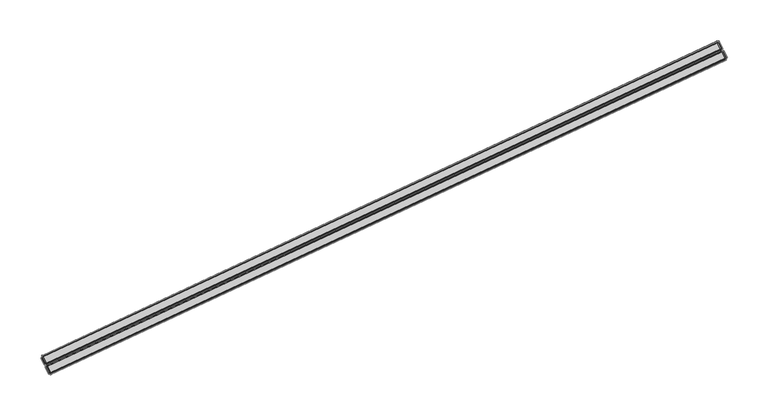
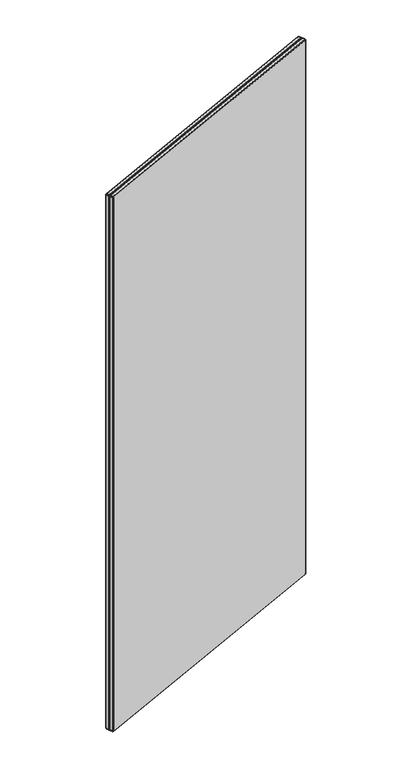
"""IFC4 building model written with IfcOpenShell, lengths in millimetres: furniture geometry."""

from ifc_helpers import new_model, si_unit, origin, place, context, project, spatial, triangles, source, transform, mapped, element, save


def furniture_4c91cf51(model_context):
    return source(origin(), model_context, "Body", "Tessellation", [
        triangles([(5408.3171655, -329.5094604, 129.787999), (5411.7692803, -336.9124969, 129.787999), (5410.8103272, -337.3595626, 130.4949962), (5407.358503, -329.9565261, 130.4949962), (5408.8354478, -327.6700378, 1903.9250656), (5408.2654244, -327.9363006, 1903.7999279), (5408.0860749, -328.486267, 1904.7530674), (5409.0142159, -328.0537353, 1904.9569794), (5406.772783, -329.0990203, 131.7749962), (5406.7184258, -330.2553451, 131.5519993), (5406.4928582, -330.3605712, 132.7999972), (5406.5879105, -329.1850616, 132.7999972), (5408.0860749, -328.486267, 130.3270014), (5408.2654244, -327.9363006, 131.2810038), (5408.8354478, -327.6700378, 131.1560024), (5409.0142159, -328.0537353, 130.1229986), (6231.9046853, 54.5351212, 1905.539938), (5409.447329, -328.9827483, 1905.539938), (5412.8994439, -336.3852035, 1905.539938), (6235.3565095, 47.1323754, 1905.539938), (6238.311271, 48.5101983, 1902.2809799), (6238.311271, 48.5101983, 132.7999972), (6234.8591561, 55.9129441, 132.7999972), (6234.8591561, 55.9129441, 1902.2809799), (6236.4866731, 47.6593781, 1905.291988), (6233.0348489, 55.062124, 1905.291988), (6233.1871652, 56.2640855, 1904.1730156), (6232.3994225, 55.8969567, 1904.7530674), (6233.993802, 55.5094804, 1904.5860718), (6231.4715722, 55.4641343, 1904.9569794), (6231.8628274, 56.1135133, 1903.7999279), (6231.292804, 55.8475411, 1903.9250656), (6232.3459374, 56.3384995, 1903.4429729), (5406.7184258, -330.2553451, 1903.5279968), (5410.1705407, -337.6578002, 1903.5279968), (5410.8103272, -337.3595626, 1904.5860718), (5407.358503, -329.9565261, 1904.5860718), (5409.9446824, -337.7630263, 1902.2809799), (5406.4928582, -330.3605712, 1902.2809799), (5406.772783, -329.0990203, 1903.3050453), (5406.5879105, -329.1850616, 1902.2809799), (5408.3171655, -329.5094604, 1905.291988), (5407.298623, -328.8536864, 1904.1730156), (6233.7127145, 56.5094193, 1903.3050453), (6232.6694642, 56.4893624, 1902.9100113), (5409.447329, -328.9827483, 129.5400036), (5407.298623, -328.8536864, 130.9069987), (6234.6335885, 55.807718, 1903.5279968), (5407.7823144, -328.1612868, 131.6369959), (6233.8975869, 56.5954606, 132.7999972), (6233.8975869, 56.5954606, 1902.2809799), (6238.0854127, 48.4049722, 131.5519993), (6234.6335885, 55.807718, 131.5519993), (6237.4456262, 48.1067346, 1904.5860718), (6238.0854127, 48.4049722, 1903.5279968), (5407.3454225, -328.3647628, 1902.2809799), (5407.3454225, -328.3647628, 132.7999972), (6233.993802, 55.5094804, 130.4949962), (6237.4456262, 48.1067346, 130.4949962), (5412.8994439, -336.3852035, 129.5400036), (6236.4866731, 47.6593781, 129.787999), (6233.0348489, 55.062124, 129.787999), (6231.9046853, 54.5351212, 129.5400036), (6235.3565095, 47.1323754, 129.5400036), (6231.4715722, 55.4641343, 130.1229986), (6232.3994225, 55.8969567, 130.3270014), (6233.1871652, 56.2640855, 130.9069987), (6233.7127145, 56.5094193, 131.7749962), (6232.6694642, 56.4893624, 132.170003), (6232.7825387, 56.5422662, 132.7999972), (6232.3459374, 56.3384995, 131.6369959), (6231.8628274, 56.1135133, 131.2810038), (6231.292804, 55.8475411, 131.1560024), (5407.4587876, -328.3124404, 132.170003), (6232.7825387, 56.5422662, 1902.2809799), (5407.7823144, -328.1612868, 1903.4429729), (5411.7692803, -336.9124969, 1905.291988), (5407.4587876, -328.3124404, 1902.9100113), (5409.9446824, -337.7630263, 132.7999972), (5410.1705407, -337.6578002, 131.5519993), (5409.447329, -328.9827483, 1905.3979408), (5413.332557, -337.3142165, 1904.9569794), (5413.5113252, -337.6973327, 1903.9250656), (6235.9683907, 45.8202462, 1903.9250656), (6235.7896226, 46.203653, 1904.9569794), (5412.8479936, -339.0553893, 1902.1859276), (5413.9987954, -338.5182128, 1903.4560535), (5413.5584153, -338.7240142, 1903.3589664), (5412.9357789, -339.0141128, 1902.6719444), (6236.5387048, 46.0859277, 1903.7999279), (6236.7177636, 46.6361848, 1904.7530674), (6230.7123162, 57.0919419, 1903.9250656), (5408.2552506, -326.4259276, 1903.9250656), (5406.7652253, -327.1206527, 132.7999972), (5406.8785905, -327.0677489, 132.170003), (6238.0310555, 47.2486474, 1903.3050453), (6237.5055062, 47.0036042, 1904.1730156), (5406.8785905, -327.0677489, 1902.9100113), (5406.7652253, -327.1206527, 1902.2809799), (6232.2023415, 57.786667, 1902.2809799), (6232.0889764, 57.7337632, 1902.9100113), (5407.6852273, -326.6916091, 1903.7999279), (5407.2021172, -326.9171767, 1903.4429729), (6236.7244492, 45.1243585, 1903.3589664), (6236.2837785, 44.9191384, 1903.4560535), (6237.434871, 45.4557336, 1902.1859276), (6237.3470857, 45.4147477, 1902.6719444), (5412.9357789, -339.0141128, 132.4079972), (5413.1848916, -338.8978408, 131.997003), (5413.5584153, -338.7240142, 131.7210024), (5412.8479936, -339.0553893, 132.8950042), (6237.434871, 45.4557336, 132.8950042), (6237.3470857, 45.4147477, 132.4079972), (6236.2837785, 44.9191384, 131.6249963), (6236.7244492, 45.1243585, 131.7210024), (5413.9987954, -338.5182128, 131.6249963), (6231.2826302, 57.3576234, 1903.7999279), (6231.7654496, 57.5829003, 1903.4429729), (6231.2826302, 57.3576234, 131.2810038), (6230.7123162, 57.0919419, 131.1560024), (6237.0976823, 45.2984757, 131.997003), (5408.2552506, -326.4259276, 131.1560024), (5407.6852273, -326.6916091, 131.2810038), (5407.2021172, -326.9171767, 131.6369959), (6231.7654496, 57.5829003, 131.6369959), (5413.1848916, -338.8978408, 1903.0839832), (6232.2023415, 57.786667, 132.7999972), (6237.0976823, 45.2984757, 1903.0839832), (6232.0889764, 57.7337632, 132.170003), (6238.215928, 47.3349793, 1902.2809799), (5410.9062516, -338.4455428, 132.7999972), (5412.0212998, -338.3926391, 132.7999972), (5412.0212998, -338.3926391, 1902.2809799), (5410.9062516, -338.4455428, 1902.2809799), (6238.0310555, 47.2486474, 131.7749962), (6237.3453416, 46.4620675, 132.170003), (6237.0215241, 46.3112046, 131.6369959), (6237.5055062, 47.0036042, 130.9069987), (5412.404416, -337.7467483, 130.3270014), (5411.616964, -338.1141677, 130.9069987), (5413.332557, -337.3142165, 130.1229986), (5412.9413018, -337.9635955, 131.2810038), (5412.4581918, -338.1885818, 131.6369959), (5412.134665, -338.3397353, 132.170003), (5411.091124, -338.3595016, 131.7749962), (6238.215928, 47.3349793, 132.7999972), (6235.7896226, 46.203653, 130.1229986), (6236.7177636, 46.6361848, 130.3270014), (6237.4584161, 46.5149712, 132.7999972), (6236.5387048, 46.0859277, 131.2810038), (5413.5113252, -337.6973327, 131.1560024), (5412.134665, -338.3397353, 1902.9100113), (5412.4581918, -338.1885818, 1903.4429729), (5411.616964, -338.1141677, 1904.1730156), (5411.091124, -338.3595016, 1903.3050453), (5412.9413018, -337.9635955, 1903.7999279), (6237.0215241, 46.3112046, 1903.4429729), (6237.3453416, 46.4620675, 1902.9100113), (6235.9683907, 45.8202462, 131.1560024), (6237.4584161, 46.5149712, 1902.2809799), (5412.404416, -337.7467483, 1904.7530674), (5408.0767732, -326.0433929, 1904.9569794), (5407.6436601, -325.1143798, 1905.539938), (5406.5134965, -325.6416732, 1905.291988), (5407.1489228, -326.4759246, 1904.7530674), (6228.7374368, 66.7811761, 130.4949962), (6229.377514, 67.0794137, 131.5519993), (6232.8299195, 59.6757958, 131.5519993), (6232.1898423, 59.3775582, 130.4949962), (6231.4622704, 57.9070085, 130.3270014), (6231.2311799, 58.9302018, 129.787999), (6232.2497224, 58.2744279, 130.9069987), (6232.8299195, 59.6757958, 1903.5279968), (6229.377514, 67.0794137, 1903.5279968), (6228.7374368, 66.7811761, 1904.5860718), (6232.1898423, 59.3775582, 1904.5860718), (6232.7752717, 58.5194711, 131.7749962), (6232.9601441, 58.605803, 132.7999972), (5407.6436601, -325.1143798, 129.5400036), (5406.5134965, -325.6416732, 129.787999), (5403.0610909, -318.2380553, 129.787999), (5404.1912545, -317.7107619, 129.5400036), (6226.6486108, 65.8071076, 129.5400036), (6227.7787743, 66.3341103, 129.787999), (6230.1010163, 58.4031991, 129.5400036), (6232.7752717, 58.5194711, 1903.3050453), (6232.2497224, 58.2744279, 1904.1730156), (6233.0554871, 59.781022, 1902.2809799), (6232.9601441, 58.605803, 1902.2809799), (5405.5545434, -326.0887389, 1904.5860718), (5403.0610909, -318.2380553, 1905.291988), (5402.1021378, -318.6851211, 1904.5860718), (5406.3611802, -326.843344, 130.9069987), (5405.8356309, -327.0886779, 131.7749962), (5404.9147569, -326.3869765, 131.5519993), (5405.5545434, -326.0887389, 130.4949962), (5408.0767732, -326.0433929, 130.1229986), (5407.1489228, -326.4759246, 130.3270014), (6233.0554871, 59.781022, 132.7999972), (6229.6030816, 67.1846398, 132.7999972), (6229.6030816, 67.1846398, 1902.2809799), (5402.1021378, -318.6851211, 130.4949962), (5404.1912545, -317.7107619, 1905.539938), (6231.4622704, 57.9070085, 1904.7530674), (6231.2311799, 58.9302018, 1905.291988), (6230.1010163, 58.4031991, 1905.539938), (6230.5341294, 57.4744767, 1904.9569794), (5406.3611802, -326.843344, 1904.1730156), (5404.9147569, -326.3869765, 1903.5279968), (5405.8356309, -327.0886779, 1903.3050453), (5405.6507584, -327.1747191, 132.7999972), (6230.5341294, 57.4744767, 130.1229986), (6227.7787743, 66.3341103, 1905.291988), (6226.6486108, 65.8071076, 1905.539938), (5404.6891892, -326.4922027, 1902.2809799), (5401.4623513, -318.9833587, 1903.5279968), (5401.2367837, -319.0885848, 1902.2809799), (5404.6891892, -326.4922027, 132.7999972), (5405.6507584, -327.1747191, 1902.2809799), (5407.6436601, -325.1143798, 1905.3979408), (5401.2367837, -319.0885848, 132.7999972), (5401.4623513, -318.9833587, 131.5519993), (5401.5167085, -317.8270339, 1903.3050453), (5402.0425485, -317.5817, 1904.1730156), (5403.5796639, -316.3992141, 1903.9250656), (5403.0096406, -316.6654769, 1903.7999279), (5402.8300004, -317.214862, 1904.7530674), (5403.7581414, -316.7817489, 1904.9569794), (5402.5265305, -316.8904632, 1903.4429729), (5402.2030038, -317.0416167, 1902.9100113), (5402.0899293, -317.0939391, 1902.2809799), (5401.331836, -317.9130752, 1902.2809799), (5402.0899293, -317.0939391, 132.7999972), (5401.331836, -317.9130752, 132.7999972), (5402.8300004, -317.214862, 130.3270014), (5402.0425485, -317.5817, 130.9069987), (5402.2012597, -315.9940063, 132.4079972), (5402.8238961, -315.7039077, 131.7210024), (5402.4506631, -315.8777343, 131.997003), (5402.1134744, -316.0347014, 1902.1859276), (5403.2642762, -315.4981063, 1903.4560535), (6225.54955, 67.9392449, 1903.4560535), (6226.7003518, 68.4758401, 1902.1859276), (6227.9310906, 67.5360719, 1904.1730156), (6227.0901536, 67.6096139, 1903.4429729), (6226.6070435, 67.3843369, 1903.7999279), (6227.143348, 67.1686524, 1904.7530674), (5401.5167085, -317.8270339, 131.7749962), (5402.2012597, -315.9940063, 1902.6719444), (5402.8238961, -315.7039077, 1903.3589664), (6225.98993, 68.1447556, 131.7210024), (6226.6125665, 68.4348542, 132.4079972), (6226.3631631, 68.3188729, 131.997003), (6226.215207, 66.73583, 1904.9569794), (6228.4566399, 67.781115, 1903.3050453), (6227.4136804, 67.7604768, 1902.9100113), (6226.7003518, 68.4758401, 132.8950042), (5402.1134744, -316.0347014, 132.8950042), (5403.7581414, -316.7817489, 130.1229986), (5402.2030038, -317.0416167, 132.170003), (6225.98993, 68.1447556, 1903.3589664), (6226.3631631, 68.3188729, 1903.0839832), (6226.6125665, 68.4348542, 1902.6719444), (6228.6415124, 67.8671563, 1902.2809799), (5402.5265305, -316.8904632, 131.6369959), (5402.4506631, -315.8777343, 1903.0839832), (5403.0096406, -316.6654769, 131.2810038), (5403.5796639, -316.3992141, 131.1560024), (6227.5270455, 67.8130898, 1902.2809799), (5403.2642762, -315.4981063, 131.6249963), (6226.0370202, 67.1183648, 1903.9250656), (6225.54955, 67.9392449, 131.6249963), (6228.6415124, 67.8671563, 132.7999972), (6227.5270455, 67.8130898, 132.7999972), (6226.0370202, 67.1183648, 131.1560024), (6226.215207, 66.73583, 130.1229986), (6227.0901536, 67.6096139, 131.6369959), (6226.6070435, 67.3843369, 131.2810038), (6227.4136804, 67.7604768, 132.170003), (6227.9310906, 67.5360719, 130.9069987), (6227.143348, 67.1686524, 130.3270014), (6228.4566399, 67.781115, 131.7749962)], [[1, 2, 3], [1, 3, 4], [5, 6, 7], [5, 7, 8], [9, 10, 11], [9, 11, 12], [13, 14, 15], [13, 15, 16], [17, 18, 19], [17, 19, 20], [21, 22, 23], [21, 23, 24], [17, 20, 25], [17, 25, 26], [27, 28, 26], [27, 26, 29], [30, 17, 26], [30, 26, 28], [30, 28, 31], [30, 31, 32], [27, 33, 31], [27, 31, 28], [34, 35, 36], [34, 36, 37], [38, 35, 34], [38, 34, 39], [39, 34, 40], [39, 40, 41], [37, 42, 7], [37, 7, 43], [27, 44, 45], [27, 45, 33], [40, 34, 37], [40, 37, 43], [7, 42, 18], [7, 18, 8], [46, 1, 13], [46, 13, 16], [4, 10, 9], [4, 9, 47], [27, 29, 48], [27, 48, 44], [49, 14, 13], [49, 13, 47], [24, 23, 50], [24, 50, 51], [23, 22, 52], [23, 52, 53], [13, 1, 4], [13, 4, 47], [29, 54, 55], [29, 55, 48], [41, 56, 57], [41, 57, 12], [58, 53, 52], [58, 52, 59], [60, 2, 1], [60, 1, 46], [58, 59, 61], [58, 61, 62], [63, 62, 61], [63, 61, 64], [65, 66, 62], [65, 62, 63], [67, 58, 62], [67, 62, 66], [67, 68, 53], [67, 53, 58], [50, 23, 53], [50, 53, 68], [50, 68, 69], [50, 69, 70], [67, 71, 69], [67, 69, 68], [67, 66, 72], [67, 72, 71], [65, 73, 72], [65, 72, 66], [64, 60, 46], [64, 46, 63], [9, 74, 49], [9, 49, 47], [50, 70, 75], [50, 75, 51], [7, 6, 76], [7, 76, 43], [57, 74, 9], [57, 9, 12], [29, 26, 25], [29, 25, 54], [36, 77, 42], [36, 42, 37], [24, 48, 55], [24, 55, 21], [51, 75, 45], [51, 45, 44], [76, 78, 40], [76, 40, 43], [30, 32, 5], [30, 5, 8], [40, 78, 56], [40, 56, 41], [39, 11, 79], [39, 79, 38], [41, 12, 11], [41, 11, 39], [3, 80, 10], [3, 10, 4], [10, 80, 79], [10, 79, 11], [42, 77, 19], [42, 19, 18], [51, 44, 48], [51, 48, 24], [30, 8, 81], [30, 81, 17], [82, 83, 84], [82, 84, 85], [58, 62, 66], [58, 66, 67], [16, 13, 14], [16, 14, 15], [47, 49, 14], [47, 14, 13], [86, 87, 88], [86, 88, 89], [84, 90, 91], [84, 91, 85], [92, 93, 5], [92, 5, 32], [94, 95, 74], [94, 74, 57], [96, 55, 54], [96, 54, 97], [98, 99, 56], [98, 56, 78], [100, 101, 45], [100, 45, 75], [47, 9, 74], [47, 74, 49], [68, 69, 70], [68, 70, 50], [16, 15, 73], [16, 73, 65], [4, 3, 80], [4, 80, 10], [102, 103, 76], [102, 76, 6], [16, 46, 1], [16, 1, 13], [106, 104, 105], [104, 106, 107], [108, 109, 110], [106, 105, 87], [106, 87, 86], [73, 72, 66], [73, 66, 65], [46, 60, 2], [46, 2, 1], [47, 4, 10], [47, 10, 9], [106, 86, 111], [106, 111, 112], [114, 113, 112], [113, 114, 115], [111, 116, 114], [111, 114, 112], [68, 53, 58], [68, 58, 67], [102, 6, 5], [102, 5, 93], [92, 32, 31], [92, 31, 117], [118, 33, 45], [118, 45, 101], [119, 72, 73], [119, 73, 120], [115, 121, 113], [122, 15, 14], [122, 14, 123], [71, 69, 68], [71, 68, 67], [124, 123, 14], [124, 14, 49], [119, 125, 71], [119, 71, 72], [53, 52, 59], [53, 59, 58], [66, 72, 71], [66, 71, 67], [124, 49, 74], [124, 74, 95], [94, 57, 56], [94, 56, 99], [91, 25, 20], [91, 20, 85], [20, 19, 82], [20, 82, 85], [22, 52, 53], [22, 53, 23], [118, 117, 31], [118, 31, 33], [108, 110, 116], [111, 108, 116], [89, 88, 126], [23, 53, 68], [23, 68, 50], [59, 61, 62], [59, 62, 58], [62, 61, 64], [62, 64, 63], [63, 46, 16], [63, 16, 65], [11, 10, 80], [11, 80, 79], [98, 78, 76], [98, 76, 103], [100, 75, 70], [100, 70, 127], [104, 107, 128], [47, 13, 1], [47, 1, 4], [129, 127, 70], [129, 70, 69], [12, 57, 74], [12, 74, 9], [4, 1, 2], [4, 2, 3], [129, 69, 71], [129, 71, 125], [122, 120, 73], [122, 73, 15], [21, 55, 96], [21, 96, 130], [54, 25, 91], [54, 91, 97], [12, 9, 10], [12, 10, 11], [66, 62, 63], [66, 63, 65], [131, 132, 133], [131, 133, 134], [135, 136, 137], [135, 137, 138], [3, 2, 139], [3, 139, 140], [139, 2, 60], [139, 60, 141], [139, 142, 143], [139, 143, 140], [143, 144, 145], [143, 145, 140], [140, 3, 2], [140, 2, 139], [140, 145, 80], [140, 80, 3], [146, 135, 52], [146, 52, 22], [147, 64, 61], [147, 61, 148], [149, 136, 135], [149, 135, 146], [140, 143, 144], [140, 144, 145], [138, 137, 150], [138, 150, 148], [151, 142, 139], [151, 139, 141], [145, 144, 132], [145, 132, 131], [152, 89, 126], [152, 126, 153], [131, 79, 80], [131, 80, 145], [141, 151, 142], [141, 142, 139], [138, 59, 52], [138, 52, 135], [59, 52, 135], [59, 135, 138], [152, 133, 86], [152, 86, 89], [137, 150, 148], [137, 148, 138], [154, 155, 152], [154, 152, 153], [156, 153, 126], [156, 126, 88], [91, 90, 157], [91, 157, 97], [156, 88, 87], [156, 87, 83], [64, 61, 148], [64, 148, 147], [38, 79, 131], [38, 131, 134], [135, 52, 22], [135, 22, 146], [138, 148, 61], [138, 61, 59], [84, 83, 87], [84, 87, 105], [84, 105, 104], [84, 104, 90], [157, 90, 104], [157, 104, 128], [157, 128, 107], [157, 107, 158], [147, 159, 151], [147, 151, 141], [130, 160, 149], [130, 149, 146], [160, 158, 107], [160, 107, 106], [132, 111, 86], [132, 86, 133], [111, 132, 144], [111, 144, 108], [109, 108, 144], [109, 144, 143], [109, 143, 142], [109, 142, 110], [116, 110, 142], [116, 142, 151], [159, 114, 116], [159, 116, 151], [140, 139, 142], [140, 142, 143], [130, 146, 22], [130, 22, 21], [148, 61, 59], [148, 59, 138], [134, 155, 35], [134, 35, 38], [154, 153, 156], [154, 156, 161], [154, 36, 35], [154, 35, 155], [154, 161, 77], [154, 77, 36], [82, 19, 77], [82, 77, 161], [131, 145, 144], [131, 144, 132], [96, 158, 160], [96, 160, 130], [148, 150, 159], [148, 159, 147], [157, 158, 96], [157, 96, 97], [141, 139, 2], [141, 2, 60], [82, 161, 156], [82, 156, 83], [147, 141, 60], [147, 60, 64], [147, 148, 150], [147, 150, 159], [138, 135, 136], [138, 136, 137], [134, 133, 152], [134, 152, 155], [146, 149, 136], [146, 136, 135], [79, 80, 145], [79, 145, 131], [145, 80, 3], [145, 3, 140], [162, 163, 164], [162, 164, 165], [166, 167, 168], [166, 168, 169], [170, 171, 169], [170, 169, 172], [173, 174, 175], [173, 175, 176], [127, 129, 177], [127, 177, 178], [177, 129, 125], [177, 125, 172], [179, 180, 181], [179, 181, 182], [183, 184, 171], [183, 171, 185], [112, 113, 136], [112, 136, 149], [186, 173, 176], [186, 176, 187], [188, 173, 186], [188, 186, 189], [190, 164, 191], [190, 191, 192], [193, 194, 195], [193, 195, 196], [197, 122, 123], [197, 123, 198], [114, 159, 150], [114, 150, 115], [118, 101, 186], [118, 186, 187], [188, 199, 200], [188, 200, 201], [171, 184, 166], [171, 166, 169], [177, 168, 199], [177, 199, 178], [125, 119, 170], [125, 170, 172], [185, 179, 182], [185, 182, 183], [168, 167, 200], [168, 200, 199], [196, 202, 181], [196, 181, 180], [121, 137, 136], [121, 136, 113], [163, 203, 191], [163, 191, 164], [169, 168, 177], [169, 177, 172], [193, 198, 123], [193, 123, 124], [204, 205, 206], [204, 206, 207], [208, 190, 209], [208, 209, 210], [211, 194, 95], [211, 95, 94], [185, 171, 170], [185, 170, 212], [170, 119, 120], [170, 120, 212], [185, 183, 184], [185, 184, 171], [205, 213, 214], [205, 214, 206], [215, 209, 216], [215, 216, 217], [215, 218, 211], [215, 211, 219], [197, 198, 180], [197, 180, 179], [193, 124, 95], [193, 95, 194], [206, 220, 162], [206, 162, 207], [219, 99, 98], [219, 98, 210], [189, 100, 127], [189, 127, 178], [201, 174, 173], [201, 173, 188], [162, 165, 102], [162, 102, 93], [160, 106, 112], [160, 112, 149], [204, 117, 118], [204, 118, 187], [121, 115, 150], [121, 150, 137], [92, 117, 204], [92, 204, 207], [186, 101, 100], [186, 100, 189], [208, 103, 102], [208, 102, 165], [176, 205, 204], [176, 204, 187], [214, 203, 163], [214, 163, 206], [190, 192, 216], [190, 216, 209], [208, 165, 164], [208, 164, 190], [208, 210, 98], [208, 98, 103], [217, 221, 218], [217, 218, 215], [211, 94, 99], [211, 99, 219], [218, 221, 222], [218, 222, 195], [196, 195, 222], [196, 222, 202], [193, 196, 180], [193, 180, 198], [211, 218, 195], [211, 195, 194], [175, 213, 205], [175, 205, 176], [219, 210, 209], [219, 209, 215], [162, 93, 92], [162, 92, 207], [189, 178, 199], [189, 199, 188], [223, 216, 192], [223, 192, 224], [225, 226, 227], [225, 227, 228], [229, 230, 223], [229, 223, 224], [202, 181, 180], [202, 180, 196], [212, 185, 171], [212, 171, 170], [218, 195, 194], [218, 194, 211], [223, 230, 231], [223, 231, 232], [172, 170, 171], [172, 171, 169], [195, 222, 202], [195, 202, 196], [232, 231, 233], [232, 233, 234], [235, 181, 202], [235, 202, 236], [237, 238, 239], [240, 241, 242], [240, 242, 243], [244, 245, 246], [244, 246, 247], [202, 222, 248], [202, 248, 236], [180, 181, 182], [180, 182, 179], [249, 250, 241], [240, 249, 241], [251, 252, 253], [244, 247, 213], [244, 213, 175], [254, 214, 213], [254, 213, 247], [244, 255, 256], [244, 256, 245], [257, 258, 240], [257, 240, 243], [254, 228, 203], [254, 203, 214], [192, 191, 227], [192, 227, 224], [244, 175, 174], [244, 174, 255], [232, 234, 221], [232, 221, 217], [248, 222, 221], [248, 221, 234], [182, 181, 235], [182, 235, 259], [233, 260, 248], [233, 248, 234], [178, 127, 129], [178, 129, 177], [261, 262, 263], [264, 255, 174], [264, 174, 201], [248, 260, 265], [248, 265, 236], [249, 266, 250], [265, 267, 235], [265, 235, 236], [235, 267, 268], [235, 268, 259], [212, 170, 119], [212, 119, 120], [172, 169, 168], [172, 168, 177], [221, 222, 195], [221, 195, 218], [198, 180, 179], [198, 179, 197], [124, 95, 194], [124, 194, 193], [264, 269, 256], [264, 256, 255], [172, 125, 119], [172, 119, 170], [122, 123, 198], [122, 198, 197], [194, 95, 94], [194, 94, 211], [227, 191, 203], [227, 203, 228], [227, 226, 229], [227, 229, 224], [212, 120, 122], [212, 122, 197], [212, 197, 179], [212, 179, 185], [169, 171, 184], [169, 184, 166], [194, 195, 196], [194, 196, 193], [169, 166, 167], [169, 167, 168], [196, 180, 198], [196, 198, 193], [258, 270, 238], [258, 238, 237], [254, 247, 246], [254, 246, 271], [217, 216, 223], [217, 223, 232], [172, 177, 129], [172, 129, 125], [198, 123, 124], [198, 124, 193], [178, 177, 168], [178, 168, 199], [242, 263, 243], [263, 242, 261], [257, 251, 272], [251, 257, 252], [199, 168, 167], [199, 167, 200], [257, 272, 270], [257, 270, 258], [254, 271, 225], [254, 225, 228], [237, 260, 233], [237, 233, 258], [273, 274, 269], [273, 269, 264], [259, 268, 275], [259, 275, 276], [236, 265, 267], [236, 267, 235], [268, 267, 238], [268, 238, 270], [277, 278, 251], [277, 251, 253], [252, 279, 277], [252, 277, 253], [280, 166, 184], [280, 184, 281], [277, 279, 282], [277, 282, 280], [259, 235, 267], [259, 267, 268], [280, 277, 279], [280, 279, 282], [249, 240, 231], [249, 231, 230], [231, 240, 258], [231, 258, 233], [274, 279, 252], [274, 252, 257], [280, 281, 278], [280, 278, 277], [282, 279, 274], [282, 274, 273], [200, 167, 282], [200, 282, 273], [276, 275, 278], [276, 278, 281], [236, 248, 260], [236, 260, 265], [273, 282, 279], [273, 279, 274], [225, 241, 250], [225, 250, 226], [242, 241, 225], [271, 242, 225], [234, 233, 260], [234, 260, 248], [273, 200, 167], [273, 167, 282], [282, 167, 166], [282, 166, 280], [229, 266, 249], [229, 249, 230], [250, 266, 229], [250, 229, 226], [243, 263, 256], [243, 256, 269], [268, 270, 272], [268, 272, 275], [274, 257, 243], [274, 243, 269], [234, 248, 222], [234, 222, 221], [166, 184, 281], [166, 281, 280], [183, 182, 259], [183, 259, 276], [276, 281, 184], [276, 184, 183], [251, 278, 275], [251, 275, 272], [265, 260, 237], [265, 237, 239], [259, 182, 181], [259, 181, 235], [281, 278, 277], [281, 277, 280], [256, 263, 262], [256, 262, 245], [236, 202, 222], [236, 222, 248], [262, 261, 246], [262, 246, 245], [281, 184, 183], [281, 183, 276], [238, 267, 265], [238, 265, 239], [236, 235, 181], [236, 181, 202], [201, 200, 273], [201, 273, 264], [246, 261, 242], [246, 242, 271], [280, 282, 167], [280, 167, 166], [275, 278, 281], [275, 281, 276]], closed=False),
    ])


if __name__ == "__main__":
    model = new_model("IFC4")
    model_context = context("Model", 3, world=origin())
    ifc_project = project(units=[si_unit("LENGTHUNIT", "METRE", prefix="MILLI")], contexts=[model_context])
    site = spatial("IfcSite", under=ifc_project)
    building = spatial("IfcBuilding", under=site)
    placement = place(None, origin())
    furniture_shape = furniture_4c91cf51(model_context)
    element("IfcFurniture", 1, at=placement, inside=building, context=model_context, shape_type="MappedRepresentation", body=[
        mapped(furniture_shape, transform((0.0, 0.0, 0.0), x_axis=(1.0, 0.0, 0.0), y_axis=(0.0, 1.0, 0.0), z_axis=(0.0, 0.0, 1.0))),
    ])
    save(model, "model.ifc")
